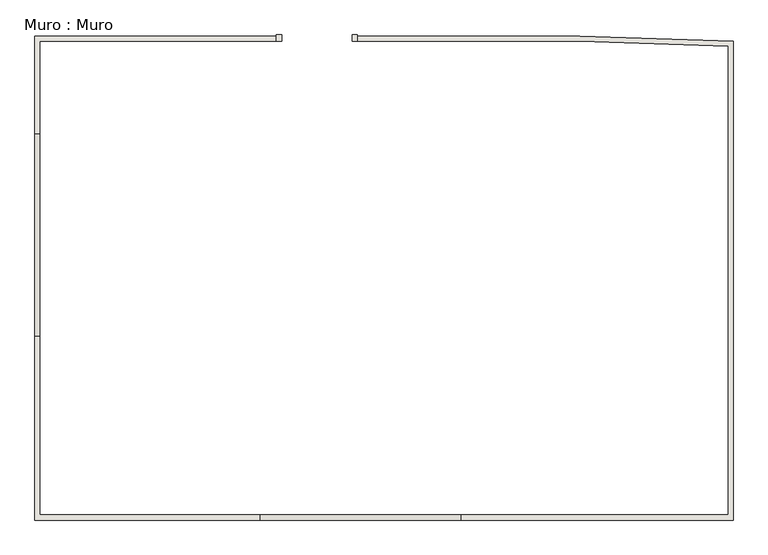
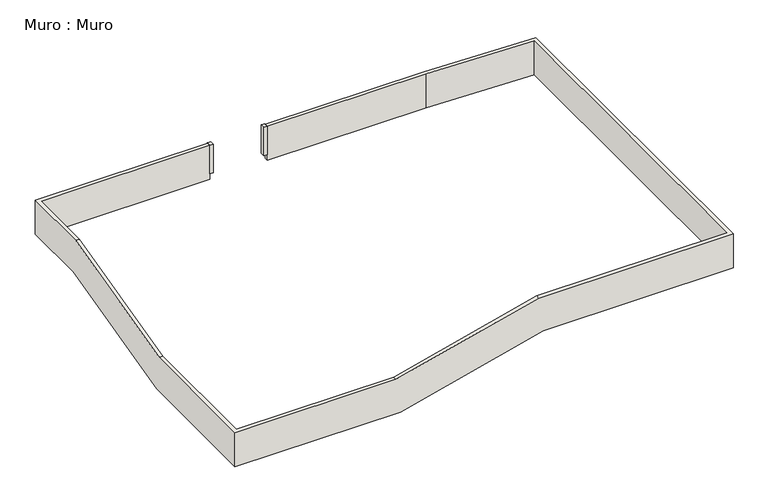
"""IFC4 building model written with IfcOpenShell, lengths in millimetres: wall geometry, Muro : Muro."""

from ifc_helpers import new_model, si_unit, frame, origin, place, context, project, spatial, polyline, circle_curve, outline, extrude, source, transform, mapped, element, save
from ifc_brep_helpers import plane_surface, cylinder_surface, revolved_surface, advanced_brep


def muro_muro_c3ce0e18(model_context):
    return source(origin(), model_context, "Body", "SolidModel", [
        extrude(outline(polyline([(-5116.7777169, 9043.3911094), (-5116.7777169, 8793.3911094), (-5316.7777169, 8793.3911094), (-5316.7777169, 9043.3911094), (-5116.7777169, 9043.3911094)])), frame((0.0, 0.0, -200.0), z_axis=(0.0, 0.0, 1.0), x_axis=(1.0, 0.0, 0.0)), (0.0, 0.0, 1.0), 1670.0),
        extrude(outline(polyline([(-2316.7777169, 9043.3911094), (-2116.7777169, 9043.3911094), (-2116.7777169, 8793.3911094), (-2316.7777169, 8793.3911094), (-2316.7777169, 9043.3911094)])), frame((0.0, 0.0, -200.0), z_axis=(0.0, 0.0, 1.0), x_axis=(1.0, 0.0, 0.0)), (0.0, 0.0, 1.0), 1670.0),
        advanced_brep(
        [(-5316.7777169, 8993.3911094, -530.0), (-5316.7777169, 8993.3911094, 1470.0), (-5316.7777169, 8793.3911094, 1470.0), (-5316.7777169, 8793.3911094, -530.0), (-14892.8196857, 8993.3911094, -530.0), (-14892.8196857, 8993.3911094, 1470.0), (-14892.8196857, 5131.912021, 1470.0), (-14692.8196857, 5131.912021, 1470.0), (-14692.8196857, 8793.3911094, 1470.0), (-14692.8196857, 8793.3911094, -530.0), (-14692.8196857, 5376.8937188, -530.0), (-14892.8196857, 5376.8937188, -530.0), (-14892.8196857, -2664.4906019, -2530.0), (-14892.8196857, -10206.6088906, -2530.0), (-14892.8196857, -10206.6088906, -530.0), (-14892.8196857, -2909.4722998, -530.0), (-14692.8196857, -2909.4722998, -530.0), (-14692.8196857, -10006.6088906, -530.0), (-14692.8196857, -10006.6088906, -2530.0), (-14692.8196857, -2664.4906019, -2530.0), (-5964.2676351, -10206.6088906, -530.0), (-5964.2676351, -10006.6088906, -530.0), (-5716.5146393, -10006.6088906, -2530.0), (-5716.5146393, -10206.6088906, -2530.0), (2232.1651361, -10206.6088906, -530.0), (12783.2222831, -10206.6088906, -530.0), (12783.2222831, -10206.6088906, 1470.0), (1984.4121403, -10206.6088906, 1470.0), (1984.4121403, -10006.6088906, 1470.0), (12583.2222831, -10006.6088906, 1470.0), (12583.2222831, -10006.6088906, -530.0), (2232.1651361, -10006.6088906, -530.0), (12783.2222831, 8789.9635504, -530.0), (12783.2222831, 8789.9635504, 1470.0), (12583.2222831, 8602.7284262, 1470.0), (12583.2222831, 8602.7284262, -530.0), (6707.1803142, 8993.3911094, 1470.0), (6707.1803142, 8993.3911094, -530.0), (6707.1803142, 8793.3911094, 1470.0), (-2124.8555153, 8993.3911094, 1470.0), (-2124.8555153, 8793.3911094, 1470.0), (6707.1803142, 8793.3911094, -530.0), (-2124.8555153, 8793.3911094, -530.0), (-2124.8555153, 8993.3911094, -530.0)],
        [
            (0, 1),
            (1, 2),
            (2, 3),
            (3, 0),
            (0, 4),
            (4, 5),
            (5, 1),
            (5, 6),
            (6, 7),
            (7, 8),
            (8, 2),
            (8, 9),
            (9, 3),
            (9, 10),
            (10, 11),
            (11, 4),
            (11, 12),
            (12, 13),
            (13, 14),
            (14, 15),
            (15, 6),
            (7, 16),
            (16, 17),
            (17, 18),
            (18, 19),
            (19, 10),
            (15, 16),
            (19, 12),
            (14, 20),
            (20, 21),
            (21, 17),
            (18, 22),
            (22, 23),
            (23, 13),
            (23, 24),
            (24, 25),
            (25, 26),
            (26, 27),
            (27, 20),
            (21, 28),
            (28, 29),
            (29, 30),
            (30, 31),
            (31, 22),
            (27, 28),
            (31, 24),
            (25, 32),
            (32, 33),
            (33, 26),
            (29, 34),
            (34, 35),
            (35, 30),
            (36, 33, circle_curve(frame((6707.1803142, -81848.9435315, 1470.0), z_axis=(0.0, 0.0, -1.0), x_axis=(0.06482668382429622, 0.9978965382565192, 0.0)), 90842.334641)),
            (32, 37, circle_curve(frame((6707.1803142, -81848.9435315, -530.0), z_axis=(0.0, 0.0, 1.0), x_axis=(0.06482668382429622, 0.9978965382565192, 0.0)), 90842.334641)),
            (37, 36),
            (38, 34, circle_curve(frame((6707.1803142, -81848.9435315, 1470.0), z_axis=(0.0, 0.0, -1.0), x_axis=(0.06482668382429622, 0.9978965382565192, 0.0)), 90642.334641)),
            (36, 39),
            (39, 40),
            (40, 38),
            (41, 35, circle_curve(frame((6707.1803142, -81848.9435315, -530.0), z_axis=(0.0, 0.0, -1.0), x_axis=(0.06482668382429622, 0.9978965382565192, 0.0)), 90642.334641)),
            (38, 41),
            (41, 42),
            (42, 43),
            (43, 37),
            (42, 40),
            (39, 43),
        ],
        [
            plane_surface(frame((-5316.7777169, 8793.3911094, -1483.5430563), z_axis=(1.0, 0.0, 0.0), x_axis=(0.0, -1.0, 0.0))),
            plane_surface(frame((-5316.7777169, 8993.3911094, -530.0), z_axis=(0.0, 1.0, 0.0), x_axis=(-1.0, 0.0, 0.0))),
            plane_surface(frame((-5316.7777169, 8993.3911094, 1470.0), z_axis=(0.0, 0.0, 1.0), x_axis=(-1.0, 0.0, 0.0))),
            plane_surface(frame((-5316.7777169, 8793.3911094, 1470.0), z_axis=(0.0, -1.0, 0.0), x_axis=(-1.0, 0.0, 0.0))),
            plane_surface(frame((-5316.7777169, 8793.3911094, -530.0), z_axis=(0.0, 0.0, -1.0), x_axis=(-1.0, 0.0, 0.0))),
            plane_surface(frame((-14892.8196857, 8993.3911094, -530.0), z_axis=(-1.0, 0.0, 0.0), x_axis=(0.0, -1.0, 0.0))),
            plane_surface(frame((-14692.8196857, 8793.3911094, 1470.0), z_axis=(1.0, 0.0, 0.0), x_axis=(0.0, -1.0, 0.0))),
            plane_surface(frame((-14892.8196857, 5131.912021, 1470.0), z_axis=(0.0, -0.24136032556621495, 0.9704355688259633), x_axis=(0.0, -0.9704355688259633, -0.24136032556621495))),
            plane_surface(frame((-14692.8196857, 5376.8937188, -530.0), z_axis=(0.0, 0.24136032556621498, -0.9704355688259632), x_axis=(0.0, -0.9704355688259632, -0.24136032556621498))),
            plane_surface(frame((-14892.8196857, -2909.4722998, -530.0), z_axis=(0.0, 0.0, 1.0), x_axis=(0.0, -1.0, 0.0))),
            plane_surface(frame((-14692.8196857, -2664.4906019, -2530.0), z_axis=(0.0, 0.0, -1.0), x_axis=(0.0, -1.0, 0.0))),
            plane_surface(frame((-14892.8196857, -10206.6088906, -2530.0), z_axis=(0.0, -1.0, 0.0), x_axis=(1.0, 0.0, 0.0))),
            plane_surface(frame((-14692.8196857, -10006.6088906, -530.0), z_axis=(0.0, 1.0, 0.0), x_axis=(1.0, 0.0, 0.0))),
            plane_surface(frame((-5964.2676351, -10206.6088906, -530.0), z_axis=(-0.24400858957016427, 0.0, 0.9697730704736955), x_axis=(0.9697730704736955, 0.0, 0.24400858957016427))),
            plane_surface(frame((-5716.5146393, -10006.6088906, -2530.0), z_axis=(0.24400858957016422, 0.0, -0.9697730704736955), x_axis=(0.9697730704736955, 0.0, 0.24400858957016422))),
            plane_surface(frame((12783.2222831, -10206.6088906, -530.0), z_axis=(1.0, 0.0, 0.0), x_axis=(0.0, 1.0, 0.0))),
            plane_surface(frame((12583.2222831, -10006.6088906, 1470.0), z_axis=(-1.0, 0.0, 0.0), x_axis=(0.0, 1.0, 0.0))),
            cylinder_surface(frame((6707.1803142, -81848.9435315, 0.0), z_axis=(0.0, 0.0, 1.0), x_axis=(0.06482668382429622, 0.9978965382565192, 0.0)), 90842.334641),
            plane_surface(frame((6707.1803142, -81848.9435315, 1470.0), z_axis=(0.0, 0.0, 1.0), x_axis=(0.06482668382429622, 0.9978965382565192, 0.0))),
            revolved_surface(polyline([(12583.22228306816, 8602.728426242873, 1470.0), (12583.22228306816, 8602.728426242873, -530.0)]), (6707.1803142, -81848.9435315, 0.0), (0.0, 0.0, 1.0)),
            plane_surface(frame((6707.1803142, -81848.9435315, -530.0), z_axis=(0.0, 0.0, -1.0), x_axis=(0.06482668382429622, 0.9978965382565192, 0.0))),
            plane_surface(frame((-2124.8555153, 8793.3911094, -1483.5430563), z_axis=(-1.0, 0.0, 0.0), x_axis=(0.0, -1.0, 0.0))),
            plane_surface(frame((6707.1803142, 8993.3911094, -530.0), z_axis=(0.0, 1.0, 0.0), x_axis=(-1.0, 0.0, 0.0))),
            plane_surface(frame((6707.1803142, 8793.3911094, 1470.0), z_axis=(0.0, -1.0, 0.0), x_axis=(-1.0, 0.0, 0.0))),
        ],
        [
            (0, [[1, 2, 3, 4]]),
            (1, [[-1, 5, 6, 7]]),
            (2, [[-2, -7, 8, 9, 10, 11]]),
            (3, [[-3, -11, 12, 13]]),
            (4, [[-4, -13, 14, 15, 16, -5]]),
            (5, [[-6, -16, 17, 18, 19, 20, 21, -8]]),
            (6, [[-12, -10, 22, 23, 24, 25, 26, -14]]),
            (7, [[-9, -21, 27, -22]]),
            (8, [[-15, -26, 28, -17]]),
            (9, [[-27, -20, 29, 30, 31, -23]]),
            (10, [[-28, -25, 32, 33, 34, -18]]),
            (11, [[-19, -34, 35, 36, 37, 38, 39, -29]]),
            (12, [[-24, -31, 40, 41, 42, 43, 44, -32]]),
            (13, [[-30, -39, 45, -40]]),
            (14, [[-33, -44, 46, -35]]),
            (15, [[-37, 47, 48, 49]]),
            (16, [[-42, 50, 51, 52]]),
            (17, [[53, -48, 54, 55]]),
            (18, [[56, -50, -41, -45, -38, -49, -53, 57, 58, 59]]),
            (19, [[60, -51, -56, 61]]),
            (20, [[-54, -47, -36, -46, -43, -52, -60, 62, 63, 64]]),
            (21, [[-63, 65, -58, 66]]),
            (22, [[-55, -64, -66, -57]]),
            (23, [[-61, -59, -65, -62]]),
        ],
    ),
    ])


if __name__ == "__main__":
    model = new_model("IFC4")
    model_context = context("Model", 3, world=origin())
    ifc_project = project(units=[si_unit("LENGTHUNIT", "METRE", prefix="MILLI")], contexts=[model_context])
    site = spatial("IfcSite", under=ifc_project)
    building = spatial("IfcBuilding", under=site)
    placement = place(None, origin())
    muro_muro_shape = muro_muro_c3ce0e18(model_context)
    element("IfcWall", 1, ObjectType="Muro : Muro", at=placement, inside=building, context=model_context, shape_type="MappedRepresentation", body=[
        mapped(muro_muro_shape, transform((0.0, 0.0, 0.0), x_axis=(1.0, 0.0, 0.0), y_axis=(0.0, 1.0, 0.0), z_axis=(0.0, 0.0, 1.0))),
    ])
    save(model, "model.ifc")
